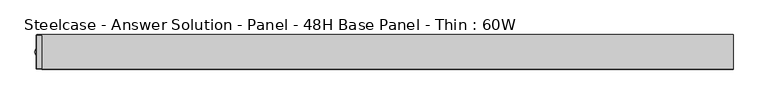
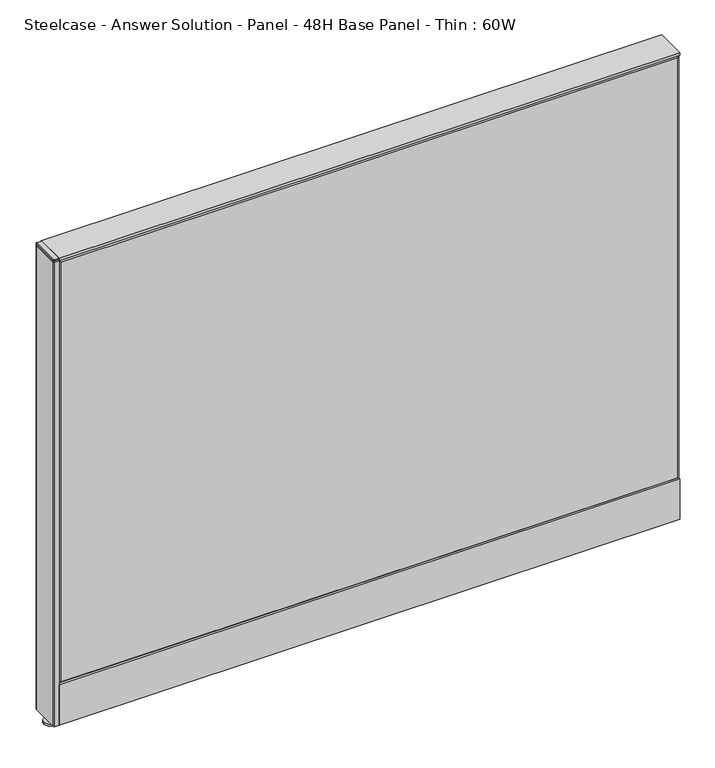
"""IFC4 building model written with IfcOpenShell, lengths in millimetres: furniture geometry, Steelcase - Answer Solution - Panel - 48H Base Panel - Thin : 60W."""

from ifc_helpers import new_model, si_unit, point, frame, frame_2d, origin, place, context, project, spatial, polyline, circle_curve, trimmed, segment, composite_curve, outline, extrude, faceted_brep, source, transform, mapped, element, save
from ifc_brep_helpers import plane_surface, cylinder_surface, revolved_surface, advanced_brep


def steelcase_answer_solution_panel_48h_base_panel_thin_60w_e2b6d96c(model_context):
    return source(origin(), model_context, "Body", "SolidModel", [
        extrude(outline(polyline([(37.3075215, 119.8575157), (25.4000011, 119.8575157), (25.4000011, 120.65), (38.1000194, 120.65), (38.1000194, 15.494), (37.3075215, 15.494), (37.3075215, 119.8575157)])), frame((-762.0, 0.0, 0.0), z_axis=(1.0, 0.0, 0.0), x_axis=(0.0, 1.0, 0.0)), (0.0, 0.0, 1.0), 1524.0),
        extrude(outline(polyline([(-37.3075215, 119.8575157), (-37.3075215, 15.494), (-38.1000194, 15.494), (-38.1000194, 120.65), (-25.4000011, 120.65), (-25.4000011, 119.8575157), (-37.3075215, 119.8575157)])), frame((-762.0, 0.0, 0.0), z_axis=(1.0, 0.0, 0.0), x_axis=(0.0, 1.0, 0.0)), (0.0, 0.0, 1.0), 1524.0),
        extrude(outline(composite_curve([segment(trimmed(circle_curve(frame_2d((-762.0, -1.94e-05)), 5.08), [point((-767.08, -1.94e-05))], [point((-756.92, -1.94e-05))], False, "CARTESIAN"), True, "CONTINUOUS"), segment(trimmed(circle_curve(frame_2d((-762.0, -1.94e-05)), 5.08), [point((-756.92, -1.94e-05))], [point((-767.08, -1.94e-05))], False, "CARTESIAN"), True, "CONTINUOUS")], self_intersect=False)), frame((0.0, 0.0, 5.0799671), z_axis=(0.0, 0.0, 1.0), x_axis=(1.0, 0.0, 0.0)), (0.0, 0.0, 1.0), 10.414),
        extrude(outline(composite_curve([segment(trimmed(circle_curve(frame_2d((-762.0, -1.94e-05)), 15.24), [point((-777.24, -1.94e-05))], [point((-746.76, -1.94e-05))], False, "CARTESIAN"), True, "CONTINUOUS"), segment(trimmed(circle_curve(frame_2d((-762.0, -1.94e-05)), 15.24), [point((-746.76, -1.94e-05))], [point((-777.24, -1.94e-05))], False, "CARTESIAN"), True, "CONTINUOUS")], self_intersect=False)), frame((0.0, 0.0, -3.29e-05), z_axis=(0.0, 0.0, 1.0), x_axis=(1.0, 0.0, 0.0)), (0.0, 0.0, 1.0), 5.08),
        advanced_brep(
        [(-772.922, -36.322, 1225.5499671), (-762.0, -36.322, 1225.5499671), (-762.0, 36.322, 1225.5499671), (-772.922, 36.322, 1225.5499671), (-774.7, -36.322, 1223.7719671), (-772.922, -38.1, 1223.7719671), (-774.7, 36.322, 1223.7719671), (-772.922, 38.1, 1223.7719671), (-762.0, 38.1, 1223.7719671), (-762.0, -38.1, 1223.7719671), (-762.0, -38.1, 1219.1999671), (-762.0, 38.1, 1219.1999671), (-774.7, 36.322, 1219.1999671), (-772.922, 38.1, 1219.1999671), (-772.922, -38.1, 1219.1999671), (-774.7, -36.322, 1219.1999671)],
        [
            (0, 1),
            (1, 2),
            (2, 3),
            (3, 0),
            (4, 5, circle_curve(frame((-772.922, -36.322, 1223.7719671), z_axis=(0.0, 1.8009403492312287e-12, 1.0), x_axis=(0.0, -1.0, 1.8008960501119156e-12)), 1.778)),
            (5, 0),
            (0, 4),
            (3, 6),
            (6, 4),
            (3, 7),
            (7, 6, circle_curve(frame((-772.922, 36.322, 1223.7719671), z_axis=(0.0, -5.414716294386099e-12, 1.0), x_axis=(-1.0, 0.0, 0.0)), 1.778)),
            (2, 8),
            (8, 7),
            (1, 9),
            (9, 10),
            (10, 11),
            (11, 8),
            (5, 9),
            (12, 6),
            (7, 13),
            (13, 12, circle_curve(frame((-772.922, 36.322, 1219.1999671), z_axis=(0.0, 0.0, 1.0), x_axis=(1.0, 0.0, 0.0)), 1.778)),
            (11, 13),
            (5, 14),
            (14, 10),
            (4, 15),
            (15, 14, circle_curve(frame((-772.922, -36.322, 1219.1999671), z_axis=(0.0, 0.0, 1.0), x_axis=(1.0, 0.0, 0.0)), 1.778)),
            (12, 15),
        ],
        [
            plane_surface(frame((-767.461, 0.0, 1225.5499671), z_axis=(0.0, 0.0, 1.0), x_axis=(0.0, 1.0, 0.0))),
            revolved_surface(polyline([(-772.922, -36.322, 1225.5499671), (-774.7000000000032, -36.322, 1223.7719670999968)]), (-772.922, -36.322, 1225.5499671), (0.0, -1.8009403492312287e-12, -1.0)),
            plane_surface(frame((-774.7, 0.0, 1223.7719671), z_axis=(-0.7071067811865476, 0.0, 0.7071067811865476), x_axis=(0.0, 1.0, 0.0))),
            revolved_surface(polyline([(-772.922, 36.322, 1225.5499671), (-772.922, 38.1, 1223.7719671)]), (-772.922, 36.322, 1225.5499671), (0.0, 5.414716294386099e-12, -1.0)),
            plane_surface(frame((-767.461, 38.1, 1223.7719671), z_axis=(0.0, 0.7071067811846348, 0.7071067811884603), x_axis=(1.0, 0.0, 0.0))),
            plane_surface(frame((-762.0, 0.0, 1223.7719671), z_axis=(1.0, 0.0, 0.0), x_axis=(0.0, -1.0, 0.0))),
            plane_surface(frame((-767.461, -38.1, 1223.7719671), z_axis=(0.0, -0.7071067811859125, 0.7071067811871826), x_axis=(-1.0, 0.0, 0.0))),
            cylinder_surface(frame((-772.922, 36.322, 1219.1999671), z_axis=(0.0, 0.0, 1.0), x_axis=(1.0, 0.0, 0.0)), 1.778),
            plane_surface(frame((-772.922, 38.1, 1223.7719671), z_axis=(0.0, 1.0, 0.0), x_axis=(0.0, 0.0, -1.0))),
            plane_surface(frame((-762.0, -38.1, 1223.7719671), z_axis=(0.0, -1.0, 0.0), x_axis=(0.0, 0.0, -1.0))),
            cylinder_surface(frame((-772.922, -36.322, 1219.1999671), z_axis=(0.0, 0.0, 1.0), x_axis=(1.0, 0.0, 0.0)), 1.778),
            plane_surface(frame((-774.7, -36.322, 1223.7719671), z_axis=(-1.0, 0.0, 0.0), x_axis=(0.0, 0.0, -1.0))),
            plane_surface(frame((-771.144, 36.322, 1219.1999671), z_axis=(0.0, 0.0, -1.0), x_axis=(0.0, 1.0, 0.0))),
        ],
        [
            (0, [[1, 2, 3, 4]]),
            (1, [[5, 6, 7]]),
            (2, [[8, 9, -7, -4]]),
            (3, [[10, 11, -8]]),
            (4, [[12, 13, -10, -3]]),
            (5, [[14, 15, 16, 17, -12, -2]]),
            (6, [[-6, 18, -14, -1]]),
            (7, [[19, -11, 20, 21]]),
            (8, [[-20, -13, -17, 22]]),
            (9, [[-15, -18, 23, 24]]),
            (10, [[-23, -5, 25, 26]]),
            (11, [[-25, -9, -19, 27]]),
            (12, [[-21, -22, -16, -24, -26, -27]]),
        ],
    ),
        extrude(outline(composite_curve([segment(trimmed(circle_curve(frame_2d((-772.922, 36.322)), 1.778), [point((-774.7, 36.322))], [point((-772.922, 38.1))], False, "CARTESIAN"), True, "CONTINUOUS"), segment(polyline([(-772.922, 38.1), (-762.0, 38.1), (-762.0, -38.1), (-772.922, -38.1)]), True, "CONTINUOUS"), segment(trimmed(circle_curve(frame_2d((-772.922, -36.322)), 1.778), [point((-772.922, -38.1))], [point((-774.7, -36.322))], False, "CARTESIAN"), True, "CONTINUOUS"), segment(polyline([(-774.7, -36.322), (-774.7, 36.322)]), True, "CONTINUOUS")], self_intersect=False)), frame((0.0, 0.0, 15.4939671), z_axis=(0.0, 0.0, 1.0), x_axis=(1.0, 0.0, 0.0)), (0.0, 0.0, 1.0), 1203.706),
        faceted_brep([(-757.174, 38.0960551, 1214.374), (757.174, 38.0960551, 1214.374), (757.174, 38.0960551, 125.476), (-757.174, 38.0960551, 125.476), (-762.0, 33.2700551, 1219.2), (-762.0, 33.2700551, 120.65), (762.0, 33.2700551, 120.65), (762.0, 33.2700551, 1219.2)], [[[0, 1, 2, 3]], [[4, 5, 6, 7]], [[4, 7, 1, 0]], [[7, 6, 2, 1]], [[6, 5, 3, 2]], [[5, 4, 0, 3]]]),
        faceted_brep([(757.174, -38.0960551, 1214.374), (-757.174, -38.0960551, 1214.374), (-757.174, -38.0960551, 125.476), (757.174, -38.0960551, 125.476), (762.0, -33.2700551, 1219.2), (762.0, -33.2700551, 120.65), (-762.0, -33.2700551, 120.65), (-762.0, -33.2700551, 1219.2)], [[[0, 1, 2, 3]], [[4, 5, 6, 7]], [[4, 7, 1, 0]], [[7, 6, 2, 1]], [[6, 5, 3, 2]], [[5, 4, 0, 3]]]),
        extrude(outline(polyline([(762.0, 38.1000194), (762.0, -38.1000194), (-762.0, -38.1000194), (-762.0, 38.1000194), (762.0, 38.1000194)])), frame((0.0, 0.0, 1219.2), z_axis=(0.0, 0.0, 1.0), x_axis=(1.0, 0.0, 0.0)), (0.0, 0.0, 1.0), 6.35),
    ])


if __name__ == "__main__":
    model = new_model("IFC4")
    model_context = context("Model", 3, world=origin())
    ifc_project = project(units=[si_unit("LENGTHUNIT", "METRE", prefix="MILLI")], contexts=[model_context])
    site = spatial("IfcSite", under=ifc_project)
    building = spatial("IfcBuilding", under=site)
    placement = place(None, origin())
    steelcase_answer_solution_panel_48h_base_panel_thin_60w_shape = steelcase_answer_solution_panel_48h_base_panel_thin_60w_e2b6d96c(model_context)
    element("IfcFurniture", 1, ObjectType="Steelcase - Answer Solution - Panel - 48H Base Panel - Thin : 60W", at=placement, inside=building, context=model_context, shape_type="MappedRepresentation", body=[
        mapped(steelcase_answer_solution_panel_48h_base_panel_thin_60w_shape, transform((0.0, 0.0, 0.0), x_axis=(1.0, 0.0, 0.0), y_axis=(0.0, 1.0, 0.0), z_axis=(0.0, 0.0, 1.0))),
    ])
    save(model, "model.ifc")
